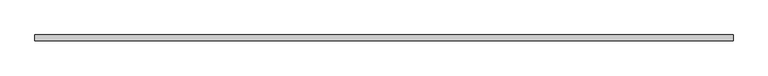
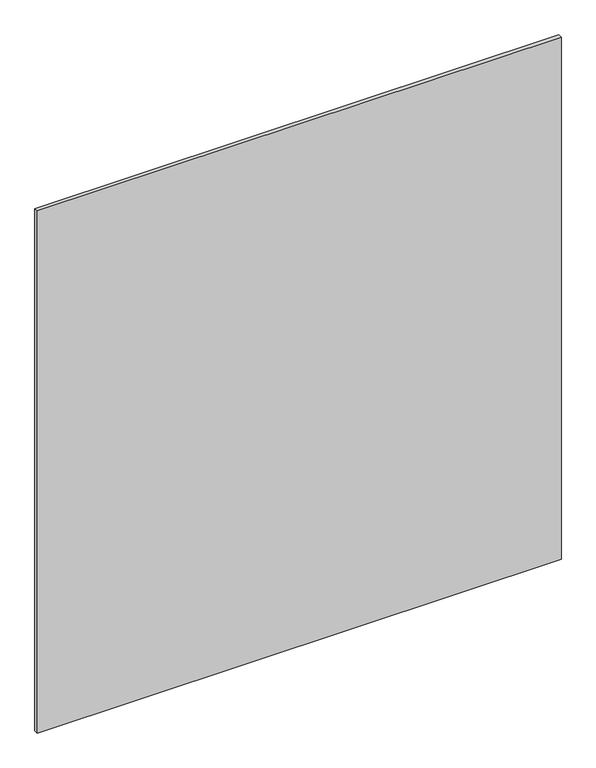
"""IFC4 building model written with IfcOpenShell, lengths in millimetres: plate geometry."""

from ifc_helpers import new_model, si_unit, origin, origin_with_axes, place, context, project, spatial, polyline, outline, extrude, source, transform, mapped, element, save


def plate_1a1dffea(model_context):
    return source(origin(), model_context, "Body", "SweptSolid", [
        extrude(outline(polyline([(612.5, -20.0), (612.5, -30.0), (-612.5, -30.0), (-612.5, -20.0), (612.5, -20.0)])), origin_with_axes(), (0.0, 0.0, 1.0), 1290.0),
    ])


if __name__ == "__main__":
    model = new_model("IFC4")
    model_context = context("Model", 3, world=origin())
    ifc_project = project(units=[si_unit("LENGTHUNIT", "METRE", prefix="MILLI")], contexts=[model_context])
    site = spatial("IfcSite", under=ifc_project)
    building = spatial("IfcBuilding", under=site)
    placement = place(None, origin())
    plate_shape = plate_1a1dffea(model_context)
    element("IfcPlate", 1, at=placement, inside=building, context=model_context, shape_type="MappedRepresentation", body=[
        mapped(plate_shape, transform((0.0, 0.0, 0.0), x_axis=(1.0, 0.0, 0.0), y_axis=(0.0, 1.0, 0.0), z_axis=(0.0, 0.0, 1.0))),
    ])
    save(model, "model.ifc")
